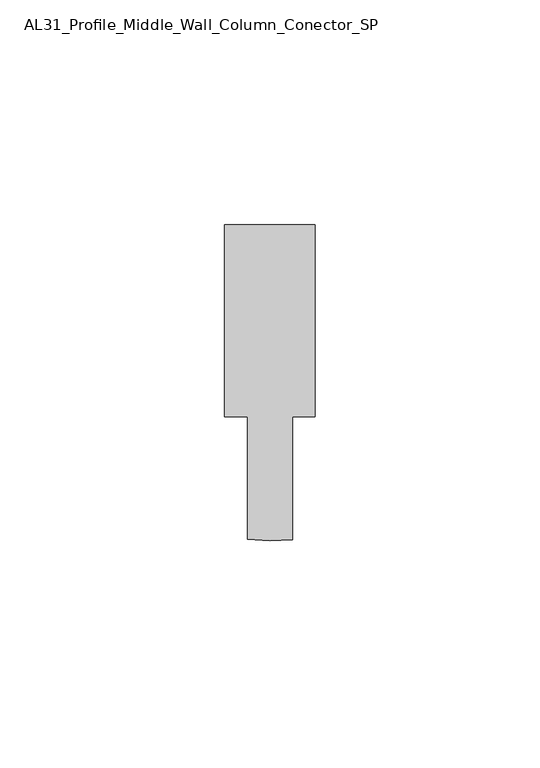
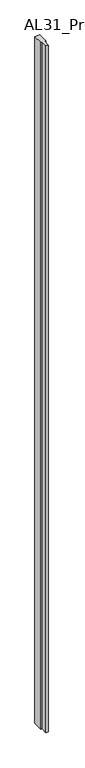
"""IFC4 building model written with IfcOpenShell, lengths in millimetres: member geometry, AL31_Profile_Middle_Wall_Column_Conector_SP."""

from ifc_helpers import new_model, si_unit, point, frame, frame_2d, origin, place, context, project, spatial, polyline, circle_curve, trimmed, segment, composite_curve, outline, extrude, source, transform, mapped, element, save


def al31_profile_middle_wall_column_conector_sp_dfaf7cc4(model_context):
    return source(origin(), model_context, "Body", "SweptSolid", [
        extrude(outline(composite_curve([segment(polyline([(-10.0998979, 55.0499937), (10.1001021, 55.0499937), (10.1001021, 12.3499946), (5.0001009, 12.3499946), (5.0001009, -15.0211439)]), True, "CONTINUOUS"), segment(trimmed(circle_curve(frame_2d((0.0116092, 22.6499982)), 38.0), [point((5.0001009, -15.0211439))], [point((-4.9998991, -15.0180889))], False, "CARTESIAN"), True, "CONTINUOUS"), segment(polyline([(-4.9998991, -15.0180889), (-4.9998991, 12.3499946), (-10.0998979, 12.3499946), (-10.0998979, 55.0499937)]), True, "CONTINUOUS")], self_intersect=False)), frame((0.0, 0.0, -3000.0), z_axis=(0.0, 0.0, 1.0), x_axis=(1.0, 0.0, 0.0)), (0.0, 0.0, 1.0), 3000.0),
    ])


if __name__ == "__main__":
    model = new_model("IFC4")
    model_context = context("Model", 3, world=origin())
    ifc_project = project(units=[si_unit("LENGTHUNIT", "METRE", prefix="MILLI")], contexts=[model_context])
    site = spatial("IfcSite", under=ifc_project)
    building = spatial("IfcBuilding", under=site)
    placement = place(None, origin())
    al31_profile_middle_wall_column_conector_sp_shape = al31_profile_middle_wall_column_conector_sp_dfaf7cc4(model_context)
    element("IfcMember", 1, ObjectType="AL31_Profile_Middle_Wall_Column_Conector_SP", at=placement, inside=building, context=model_context, shape_type="MappedRepresentation", body=[
        mapped(al31_profile_middle_wall_column_conector_sp_shape, transform((0.0, 0.0, 0.0), x_axis=(1.0, 0.0, 0.0), y_axis=(0.0, 1.0, 0.0), z_axis=(0.0, 0.0, 1.0))),
    ])
    save(model, "model.ifc")
